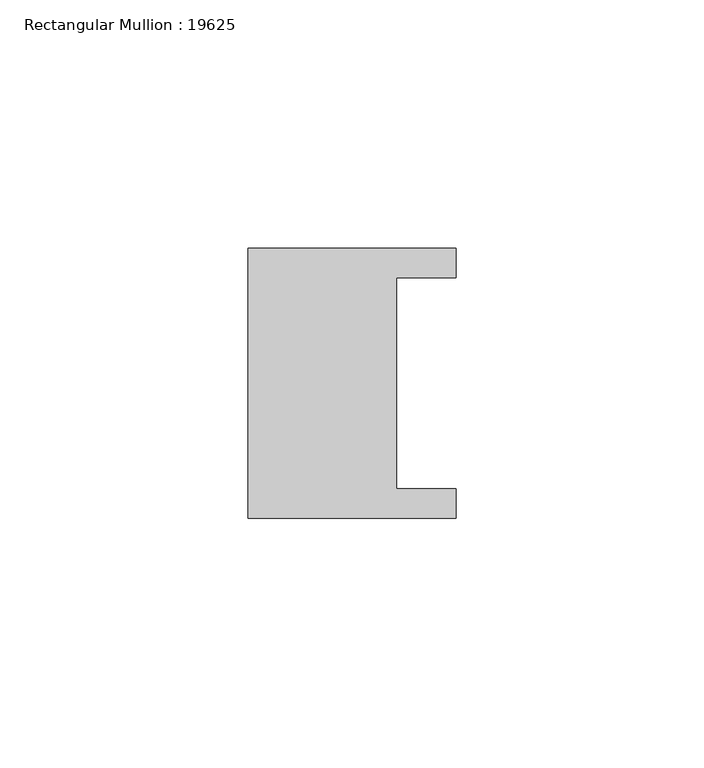
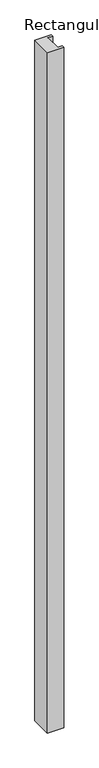
"""IFC4 building model written with IfcOpenShell, lengths in millimetres: member geometry, Rectangular Mullion : 19625."""

from ifc_helpers import new_model, si_unit, frame, origin, place, context, project, spatial, polyline, outline, extrude, source, transform, mapped, element, save


def rectangular_mullion_19625_c56076f8(model_context):
    return source(origin(), model_context, "Body", "SweptSolid", [
        extrude(outline(polyline([(-42.0, -27.25), (-42.0, 27.25), (0.0, 27.25), (0.0, 21.25), (-12.0, 21.25), (-12.0, -21.25), (0.0, -21.25), (0.0, -27.25), (-42.0, -27.25)])), frame((0.0, 0.0, -1840.0), z_axis=(0.0, 0.0, 1.0), x_axis=(1.0, 0.0, 0.0)), (0.0, 0.0, 1.0), 1840.0),
    ])


if __name__ == "__main__":
    model = new_model("IFC4")
    model_context = context("Model", 3, world=origin())
    ifc_project = project(units=[si_unit("LENGTHUNIT", "METRE", prefix="MILLI")], contexts=[model_context])
    site = spatial("IfcSite", under=ifc_project)
    building = spatial("IfcBuilding", under=site)
    placement = place(None, origin())
    rectangular_mullion_19625_shape = rectangular_mullion_19625_c56076f8(model_context)
    element("IfcMember", 1, ObjectType="Rectangular Mullion : 19625", at=placement, inside=building, context=model_context, shape_type="MappedRepresentation", body=[
        mapped(rectangular_mullion_19625_shape, transform((0.0, 0.0, 0.0), x_axis=(1.0, 0.0, 0.0), y_axis=(0.0, 1.0, 0.0), z_axis=(0.0, 0.0, 1.0))),
    ])
    save(model, "model.ifc")
